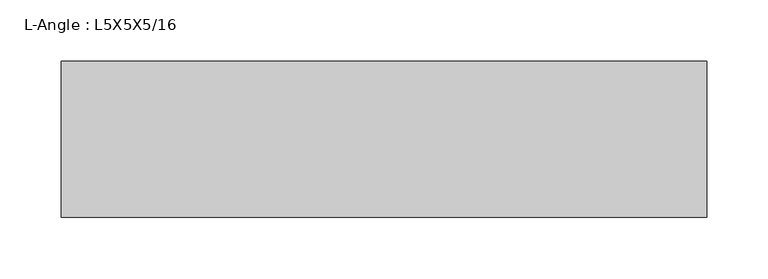
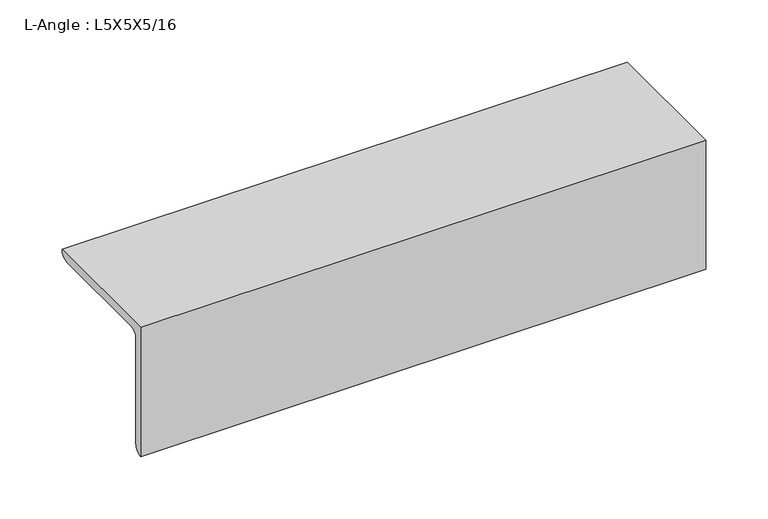
"""IFC4 building model written with IfcOpenShell, lengths in millimetres: beam geometry, L-Angle : L5X5X5/16."""

from ifc_helpers import new_model, si_unit, point, frame, frame_2d, origin, place, context, project, spatial, polyline, circle_curve, trimmed, segment, composite_curve, outline, extrude, source, transform, mapped, element, save


def l_angle_l5x5x5_16_2b3c8e42(model_context):
    return source(origin(), model_context, "Body", "SweptSolid", [
        extrude(outline(composite_curve([segment(polyline([(-34.3296875, 34.3296875), (92.6703125, 34.3296875)]), True, "CONTINUOUS"), segment(trimmed(circle_curve(frame_2d((84.7328125, 34.3296875)), 7.9375), [point((92.6703125, 34.3296875))], [point((84.7328125, 26.3921875))], False, "CARTESIAN"), True, "CONTINUOUS"), segment(polyline([(84.7328125, 26.3921875), (-18.4546875, 26.3921875)]), True, "CONTINUOUS"), segment(trimmed(circle_curve(frame_2d((-18.4546875, 18.4546875)), 7.9375), [point((-18.4546875, 26.3921875))], [point((-26.3921875, 18.4546875))], True, "CARTESIAN"), True, "CONTINUOUS"), segment(polyline([(-26.3921875, 18.4546875), (-26.3921875, -84.7328125)]), True, "CONTINUOUS"), segment(trimmed(circle_curve(frame_2d((-34.3296875, -84.7328125)), 7.9375), [point((-26.3921875, -84.7328125))], [point((-34.3296875, -92.6703125))], False, "CARTESIAN"), True, "CONTINUOUS"), segment(polyline([(-34.3296875, -92.6703125), (-34.3296875, 34.3296875)]), True, "CONTINUOUS")], self_intersect=False)), frame((-262.9296875, 0.0, 0.0), z_axis=(1.0, 0.0, 0.0), x_axis=(0.0, 1.0, 0.0)), (0.0, 0.0, 1.0), 525.859375),
    ])


if __name__ == "__main__":
    model = new_model("IFC4")
    model_context = context("Model", 3, world=origin())
    ifc_project = project(units=[si_unit("LENGTHUNIT", "METRE", prefix="MILLI")], contexts=[model_context])
    site = spatial("IfcSite", under=ifc_project)
    building = spatial("IfcBuilding", under=site)
    placement = place(None, origin())
    l_angle_l5x5x5_16_shape = l_angle_l5x5x5_16_2b3c8e42(model_context)
    element("IfcBeam", 1, ObjectType="L-Angle : L5X5X5/16", at=placement, inside=building, context=model_context, shape_type="MappedRepresentation", body=[
        mapped(l_angle_l5x5x5_16_shape, transform((0.0, 0.0, 0.0), x_axis=(1.0, 0.0, 0.0), y_axis=(0.0, 1.0, 0.0), z_axis=(0.0, 0.0, 1.0))),
    ])
    save(model, "model.ifc")
